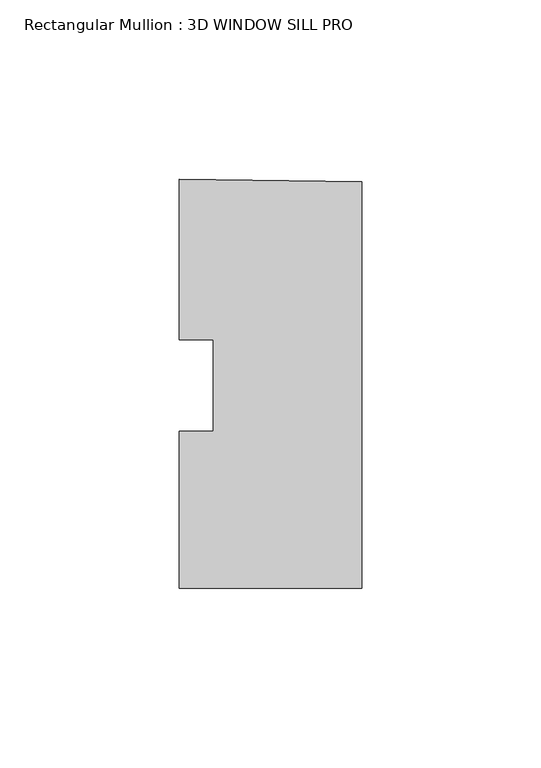
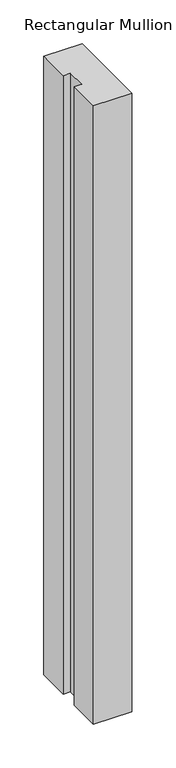
"""IFC4 building model written with IfcOpenShell, lengths in millimetres: member geometry, Rectangular Mullion : 3D WINDOW SILL PRO."""

from ifc_helpers import new_model, si_unit, frame, origin, place, context, project, spatial, polyline, outline, extrude, source, transform, mapped, element, save


def rectangular_mullion_3d_window_sill_pro_321ef86a(model_context):
    return source(origin(), model_context, "Body", "SweptSolid", [
        extrude(outline(polyline([(-25.4, -56.6383835), (-25.4, -12.8530497), (-15.875542, -12.8530497), (-15.875542, 12.6346487), (-25.3945923, 12.6346487), (-25.3945923, 57.3464983), (25.4, 56.6775616), (25.4, -56.6383835), (-25.4, -56.6383835)])), frame((0.0, 0.0, -864.0942008), z_axis=(0.0, 0.0, 1.0), x_axis=(1.0, 0.0, 0.0)), (0.0, 0.0, 1.0), 864.0942008),
    ])


if __name__ == "__main__":
    model = new_model("IFC4")
    model_context = context("Model", 3, world=origin())
    ifc_project = project(units=[si_unit("LENGTHUNIT", "METRE", prefix="MILLI")], contexts=[model_context])
    site = spatial("IfcSite", under=ifc_project)
    building = spatial("IfcBuilding", under=site)
    placement = place(None, origin())
    rectangular_mullion_3d_window_sill_pro_shape = rectangular_mullion_3d_window_sill_pro_321ef86a(model_context)
    element("IfcMember", 1, ObjectType="Rectangular Mullion : 3D WINDOW SILL PRO", at=placement, inside=building, context=model_context, shape_type="MappedRepresentation", body=[
        mapped(rectangular_mullion_3d_window_sill_pro_shape, transform((0.0, 0.0, 0.0), x_axis=(1.0, 0.0, 0.0), y_axis=(0.0, 1.0, 0.0), z_axis=(0.0, 0.0, 1.0))),
    ])
    save(model, "model.ifc")
